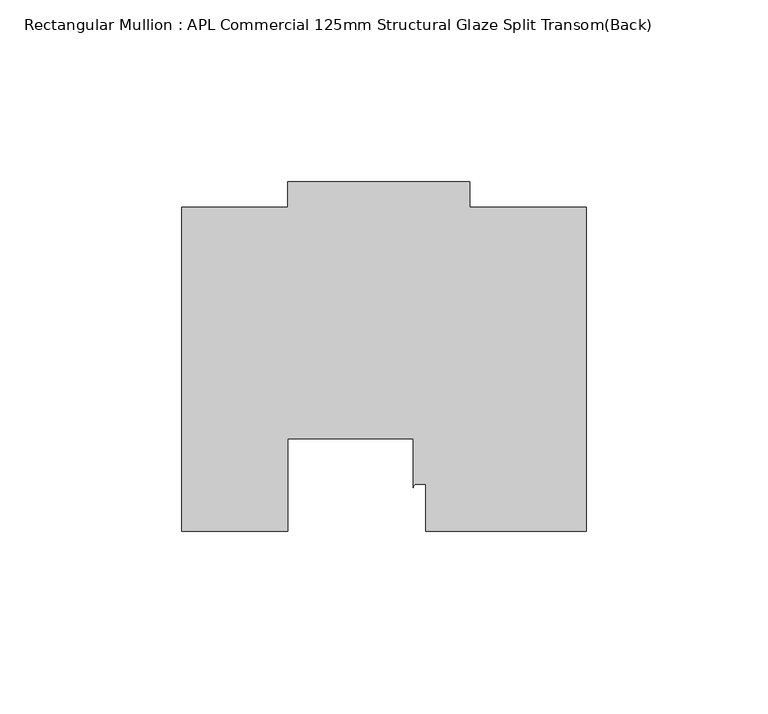
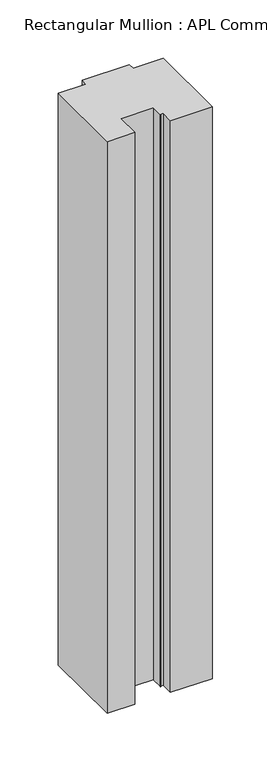
"""IFC4 building model written with IfcOpenShell, lengths in millimetres: member geometry, Rectangular Mullion : APL Commercial 125mm Structural Glaze Split Transom(Back)."""

from ifc_helpers import new_model, si_unit, point, frame, frame_2d, origin, place, context, project, spatial, polyline, circle_curve, trimmed, segment, composite_curve, outline, extrude, source, transform, mapped, element, save


def rectangular_mullion_apl_commercial_125mm_structural_glaze_a96d79dc(model_context):
    return source(origin(), model_context, "Body", "SweptSolid", [
        extrude(outline(composite_curve([segment(polyline([(54.0000029, 15.0004617), (10.0000029, 15.0004617), (10.0000029, 28.0002131), (7.5000029, 28.0002131)]), True, "CONTINUOUS"), segment(trimmed(circle_curve(frame_2d((7.5000029, 27.0002131)), 1.0), [point((7.5000029, 28.0002131))], [point((6.5000029, 27.0002131))], True, "CARTESIAN"), True, "CONTINUOUS"), segment(polyline([(6.5000029, 27.0002131), (6.5000029, 40.499932), (-28.0000482, 40.499932), (-28.0000482, 15.0001793), (-57.0000004, 15.0001793), (-57.0000004, 103.9999439), (-27.9971154, 103.9999439), (-27.9971154, 111.0), (22.0028846, 111.0), (22.0028846, 104.0), (54.0000029, 104.0), (54.0000029, 15.0004617)]), True, "CONTINUOUS")], self_intersect=False)), frame((0.0, 0.0, -638.9872059), z_axis=(0.0, 0.0, 1.0), x_axis=(1.0, 0.0, 0.0)), (0.0, 0.0, 1.0), 638.9872059),
    ])


if __name__ == "__main__":
    model = new_model("IFC4")
    model_context = context("Model", 3, world=origin())
    ifc_project = project(units=[si_unit("LENGTHUNIT", "METRE", prefix="MILLI")], contexts=[model_context])
    site = spatial("IfcSite", under=ifc_project)
    building = spatial("IfcBuilding", under=site)
    placement = place(None, origin())
    rectangular_mullion_apl_commercial_125mm_structural_glaze_shape = rectangular_mullion_apl_commercial_125mm_structural_glaze_a96d79dc(model_context)
    element("IfcMember", 1, ObjectType="Rectangular Mullion : APL Commercial 125mm Structural Glaze Split Transom(Back)", at=placement, inside=building, context=model_context, shape_type="MappedRepresentation", body=[
        mapped(rectangular_mullion_apl_commercial_125mm_structural_glaze_shape, transform((0.0, 0.0, 0.0), x_axis=(1.0, 0.0, 0.0), y_axis=(0.0, 1.0, 0.0), z_axis=(0.0, 0.0, 1.0))),
    ])
    save(model, "model.ifc")
